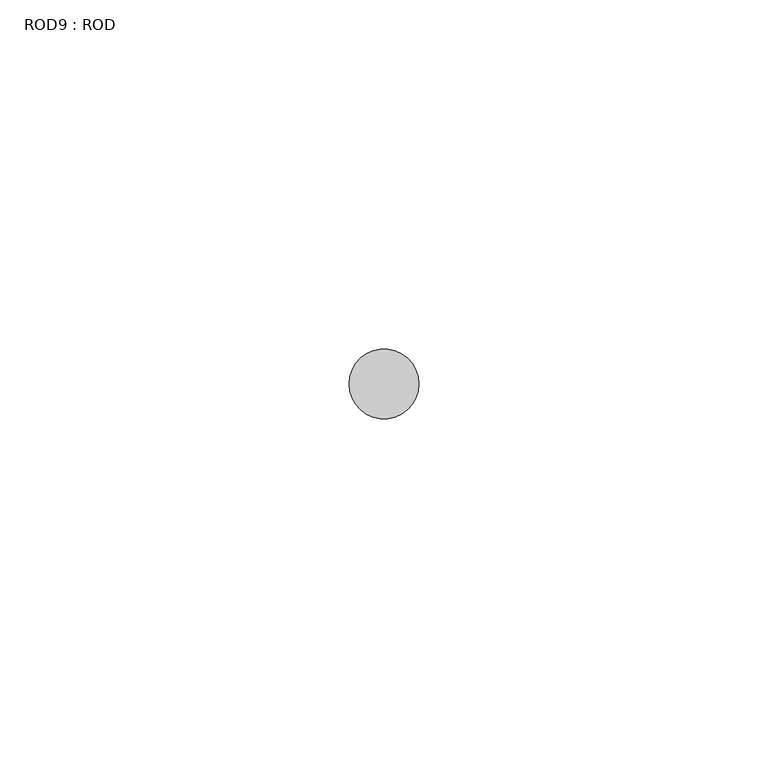
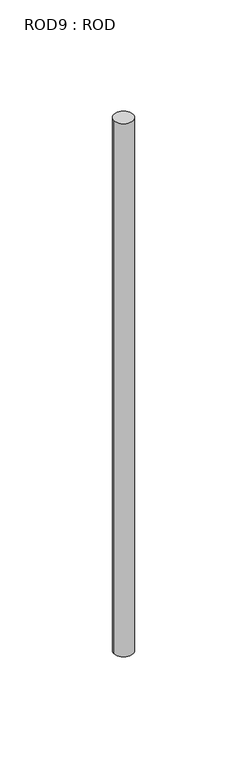
"""IFC4 building model written with IfcOpenShell, lengths in millimetres: proxy geometry, ROD9 : ROD."""

from ifc_helpers import new_model, si_unit, point, frame, frame_2d, origin, place, context, project, spatial, circle_curve, trimmed, segment, composite_curve, outline, extrude, source, transform, mapped, element, save


def rod9_rod_3a9f9a80(model_context):
    return source(origin(), model_context, "Body", "SweptSolid", [
        extrude(outline(composite_curve([segment(trimmed(circle_curve(frame_2d((-9720.2326676, -1114.6300853)), 5.0), [point((-9725.2326676, -1114.6300853))], [point((-9715.2326676, -1114.6300853))], False, "CARTESIAN"), True, "CONTINUOUS"), segment(trimmed(circle_curve(frame_2d((-9720.2326676, -1114.6300853)), 5.0), [point((-9715.2326676, -1114.6300853))], [point((-9725.2326676, -1114.6300853))], False, "CARTESIAN"), True, "CONTINUOUS")], self_intersect=False)), frame((0.0, 0.0, -208.6608845), z_axis=(0.0, 0.0, 1.0), x_axis=(1.0, 0.0, 0.0)), (0.0, 0.0, 1.0), 298.9028972),
    ])


if __name__ == "__main__":
    model = new_model("IFC4")
    model_context = context("Model", 3, world=origin())
    ifc_project = project(units=[si_unit("LENGTHUNIT", "METRE", prefix="MILLI")], contexts=[model_context])
    site = spatial("IfcSite", under=ifc_project)
    building = spatial("IfcBuilding", under=site)
    placement = place(None, origin())
    rod9_rod_shape = rod9_rod_3a9f9a80(model_context)
    element("IfcBuildingElementProxy", 1, Name="ROD9 : ROD", ObjectType="ROD9 : ROD", at=placement, inside=building, context=model_context, shape_type="MappedRepresentation", body=[
        mapped(rod9_rod_shape, transform((0.0, 0.0, 0.0), x_axis=(1.0, 0.0, 0.0), y_axis=(0.0, 1.0, 0.0), z_axis=(0.0, 0.0, 1.0))),
    ])
    save(model, "model.ifc")
